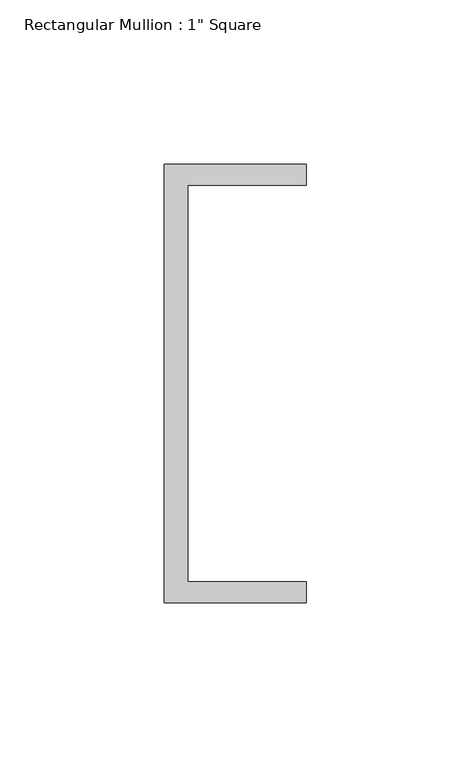
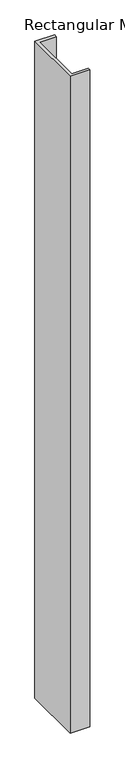
"""IFC4 building model written with IfcOpenShell, lengths in millimetres: member geometry."""

from ifc_helpers import new_model, si_unit, frame, origin, place, context, project, spatial, polyline, outline, extrude, source, transform, mapped, element, save


def member_ac7a82ca(model_context):
    return source(origin(), model_context, "Body", "SweptSolid", [
        extrude(outline(polyline([(-18.6549463, 135.2608739), (24.5675083, 135.2608739), (24.5675083, 128.9108739), (-11.6110886, 128.9108739), (-11.6110886, 8.2608739), (24.5675083, 8.2608739), (24.5675083, 1.9108739), (-18.6549463, 1.9108739), (-18.6549463, 135.2608739)])), frame((0.0, 0.0, -1517.73992), z_axis=(0.0, 0.0, 1.0), x_axis=(1.0, 0.0, 0.0)), (0.0, 0.0, 1.0), 1517.73992),
    ])


if __name__ == "__main__":
    model = new_model("IFC4")
    model_context = context("Model", 3, world=origin())
    ifc_project = project(units=[si_unit("LENGTHUNIT", "METRE", prefix="MILLI")], contexts=[model_context])
    site = spatial("IfcSite", under=ifc_project)
    building = spatial("IfcBuilding", under=site)
    placement = place(None, origin())
    member_shape = member_ac7a82ca(model_context)
    element("IfcMember", 1, ObjectType="Rectangular Mullion : 1\" Square", at=placement, inside=building, context=model_context, shape_type="MappedRepresentation", body=[
        mapped(member_shape, transform((0.0, 0.0, 0.0), x_axis=(1.0, 0.0, 0.0), y_axis=(0.0, 1.0, 0.0), z_axis=(0.0, 0.0, 1.0))),
    ])
    save(model, "model.ifc")
